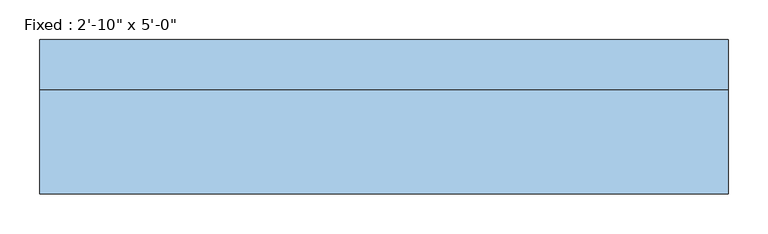
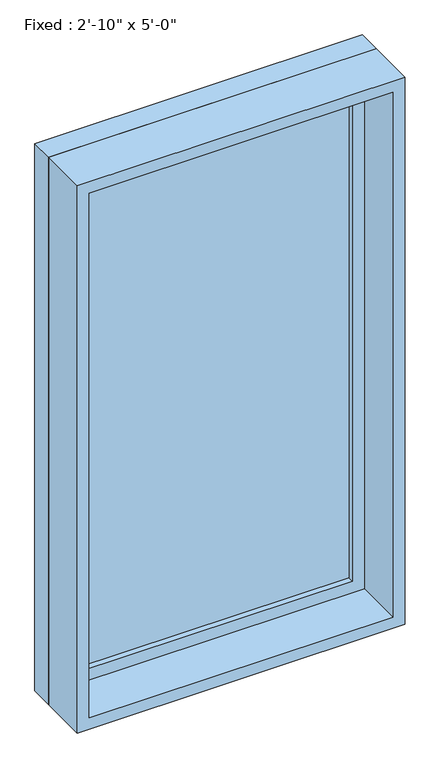
"""IFC4 building model written with IfcOpenShell, lengths in millimetres: window geometry."""

from ifc_helpers import new_model, si_unit, frame, origin, place, context, project, spatial, polyline, outline, extrude, source, transform, mapped, element, save


def window_34bb9eee(model_context):
    return source(origin(), model_context, "Body", "SweptSolid", [
        extrude(outline(polyline([(330.2, 49.2125), (-406.4, 49.2125), (-406.4, 61.9125), (330.2, 61.9125), (330.2, 49.2125)])), frame((0.0, 0.0, 927.1), z_axis=(0.0, 0.0, 1.0), x_axis=(1.0, 0.0, 0.0)), (0.0, 0.0, 1.0), 1397.0),
        extrude(outline(polyline([(2368.55, -450.85), (882.65, -450.85), (882.65, 374.65), (2368.55, 374.65), (2368.55, -450.85)]), holes=[polyline([(2324.1, -406.4), (2324.1, 330.2), (927.1, 330.2), (927.1, -406.4), (2324.1, -406.4)])]), frame((0.0, 33.3375, 0.0), z_axis=(0.0, 1.0, 0.0), x_axis=(0.0, 0.0, 1.0)), (0.0, 0.0, 1.0), 44.45),
        extrude(outline(polyline([(2387.6, -469.9), (863.6, -469.9), (863.6, 393.7), (2387.6, 393.7), (2387.6, -469.9)]), holes=[polyline([(2355.85, -438.15), (2355.85, 361.95), (895.35, 361.95), (895.35, -438.15), (2355.85, -438.15)])]), frame((0.0, -96.8375, 0.0), z_axis=(0.0, 1.0, 0.0), x_axis=(0.0, 0.0, 1.0)), (0.0, 0.0, 1.0), 130.175),
        extrude(outline(polyline([(2387.6, 393.7), (2387.6, -469.9), (863.6, -469.9), (863.6, 393.7), (2387.6, 393.7)]), holes=[polyline([(2368.55, 374.65), (882.65, 374.65), (882.65, -450.85), (2368.55, -450.85), (2368.55, 374.65)])]), frame((0.0, 33.3375, 0.0), z_axis=(0.0, 1.0, 0.0), x_axis=(0.0, 0.0, 1.0)), (0.0, 0.0, 1.0), 63.5),
    ])


if __name__ == "__main__":
    model = new_model("IFC4")
    model_context = context("Model", 3, world=origin())
    ifc_project = project(units=[si_unit("LENGTHUNIT", "METRE", prefix="MILLI")], contexts=[model_context])
    site = spatial("IfcSite", under=ifc_project)
    building = spatial("IfcBuilding", under=site)
    placement = place(None, origin())
    window_shape = window_34bb9eee(model_context)
    element("IfcWindow", 1, ObjectType="Fixed : 2'-10\" x 5'-0\"", at=placement, inside=building, context=model_context, shape_type="MappedRepresentation", body=[
        mapped(window_shape, transform((0.0, 0.0, 0.0), x_axis=(1.0, 0.0, 0.0), y_axis=(0.0, 1.0, 0.0), z_axis=(0.0, 0.0, 1.0))),
    ])
    save(model, "model.ifc")
